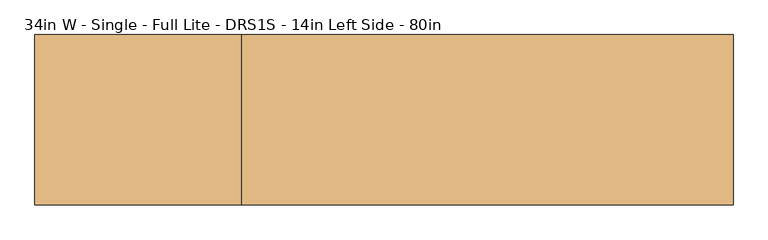
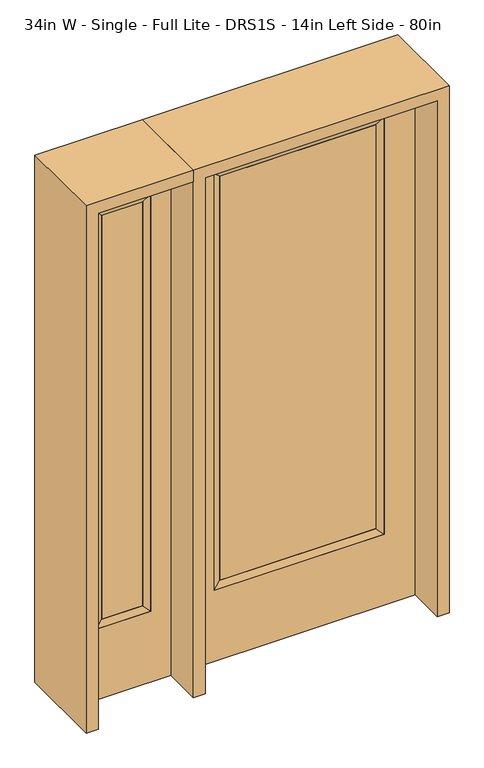
"""IFC4 building model written with IfcOpenShell, lengths in millimetres: door geometry, 34in W - Single - Full Lite - DRS1S - 14in Left Side - 80in."""

from ifc_helpers import new_model, si_unit, frame, origin, place, context, project, spatial, polyline, outline, extrude, faceted_brep, source, transform, mapped, element, save


def door_34in_w_single_full_lite_drs1s_14in_left_side_80in_d8b88d8a(model_context):
    return source(origin(), model_context, "Body", "SolidModel", [
        extrude(outline(polyline([(290.9824, -12.7039749), (-290.9824, -12.7039749), (-290.9824, 14.2875), (290.9824, 14.2875), (290.9824, -12.7039749)])), frame((0.0, 0.0, 304.8), z_axis=(0.0, 0.0, 1.0), x_axis=(1.0, 0.0, 0.0)), (0.0, 0.0, 1.0), 1591.1576),
        faceted_brep([(290.9824, 14.2875, 1895.9576), (316.3824, 22.225, 1921.3576), (316.3824, 22.225, 279.4), (290.9824, 14.2875, 304.8), (316.3824, -22.225, 1921.3576), (316.3824, -22.225, 279.4), (-316.3824, 22.225, 279.4), (-290.9824, 14.2875, 304.8), (290.9824, -12.7039749, 1895.9576), (290.9824, -12.7039749, 304.8), (-290.9824, -12.7039749, 304.8), (-316.3824, -22.225, 279.4), (-316.3824, 22.225, 1921.3576), (-290.9824, 14.2875, 1895.9576), (-290.9824, -12.7039749, 1895.9576), (-316.3824, -22.225, 1921.3576)], [[[0, 1, 2, 3]], [[1, 4, 5, 2]], [[3, 2, 6, 7]], [[8, 0, 3, 9]], [[9, 3, 7, 10]], [[4, 8, 9, 5]], [[5, 9, 10, 11]], [[2, 5, 11, 6]], [[7, 6, 12, 13]], [[10, 7, 13, 14]], [[11, 10, 14, 15]], [[6, 11, 15, 12]], [[13, 12, 1, 0]], [[14, 13, 0, 8]], [[15, 14, 8, 4]], [[12, 15, 4, 1]]]),
        extrude(outline(polyline([(0.0, -431.8), (0.0, 431.8), (2032.0, 431.8), (2032.0, -431.8), (0.0, -431.8)]), holes=[polyline([(279.4, -316.3824), (1921.3576, -316.3824), (1921.3576, 316.3824), (279.4, 316.3824), (279.4, -316.3824)])]), frame((0.0, -22.225, 0.0), z_axis=(0.0, 1.0, 0.0), x_axis=(0.0, 0.0, 1.0)), (0.0, 0.0, 1.0), 44.45),
        faceted_brep([(-552.45, 20.6375, 1920.875), (-552.45, -20.6375, 1920.875), (-552.45, -20.6375, 279.4), (-552.45, 20.6375, 279.4), (-577.85, -12.7, 1895.475), (-577.85, -12.7, 304.8), (-755.65, -20.6375, 279.4), (-755.65, 20.6375, 279.4), (-577.85, 12.7, 1895.475), (-577.85, 12.7, 304.8), (-730.25, 12.7, 304.8), (-730.25, -12.7, 304.8), (-755.65, -20.6375, 1920.875), (-755.65, 20.6375, 1920.875), (-730.25, 12.7, 1895.475), (-730.25, -12.7, 1895.475)], [[[0, 1, 2, 3]], [[1, 4, 5, 2]], [[3, 2, 6, 7]], [[8, 0, 3, 9]], [[9, 3, 7, 10]], [[4, 8, 9, 5]], [[5, 9, 10, 11]], [[2, 5, 11, 6]], [[7, 6, 12, 13]], [[10, 7, 13, 14]], [[11, 10, 14, 15]], [[6, 11, 15, 12]], [[13, 12, 1, 0]], [[14, 13, 0, 8]], [[15, 14, 8, 4]], [[12, 15, 4, 1]]]),
        extrude(outline(polyline([(0.0, -831.85), (0.0, -476.25), (2032.0, -476.25), (2032.0, -831.85), (0.0, -831.85)]), holes=[polyline([(1920.875, -552.45), (279.4, -552.45), (279.4, -755.65), (1920.875, -755.65), (1920.875, -552.45)])]), frame((0.0, -20.6375, 0.0), z_axis=(0.0, 1.0, 0.0), x_axis=(0.0, 0.0, 1.0)), (0.0, 0.0, 1.0), 41.275),
        extrude(outline(polyline([(-577.85, -12.7), (-730.25, -12.7), (-730.25, 12.7), (-577.85, 12.7), (-577.85, -12.7)])), frame((0.0, 0.0, 304.8), z_axis=(0.0, 0.0, 1.0), x_axis=(1.0, 0.0, 0.0)), (0.0, 0.0, 1.0), 1590.675),
        extrude(outline(polyline([(2032.0, -476.25), (2076.45, -476.25), (2076.45, -876.3), (0.0, -876.3), (0.0, -831.85), (2032.0, -831.85), (2032.0, -476.25)])), frame((0.0, -165.1, 0.0), z_axis=(0.0, 1.0, 0.0), x_axis=(0.0, 0.0, 1.0)), (0.0, 0.0, 1.0), 330.2),
        extrude(outline(polyline([(2076.45, -476.25), (0.0, -476.25), (0.0, -431.8), (2032.0, -431.8), (2032.0, 431.8), (0.0, 431.8), (0.0, 476.25), (2076.45, 476.25), (2076.45, -476.25)])), frame((0.0, -165.1, 0.0), z_axis=(0.0, 1.0, 0.0), x_axis=(0.0, 0.0, 1.0)), (0.0, 0.0, 1.0), 330.2),
    ])


if __name__ == "__main__":
    model = new_model("IFC4")
    model_context = context("Model", 3, world=origin())
    ifc_project = project(units=[si_unit("LENGTHUNIT", "METRE", prefix="MILLI")], contexts=[model_context])
    site = spatial("IfcSite", under=ifc_project)
    building = spatial("IfcBuilding", under=site)
    placement = place(None, origin())
    door_34in_w_single_full_lite_drs1s_14in_left_side_80in_shape = door_34in_w_single_full_lite_drs1s_14in_left_side_80in_d8b88d8a(model_context)
    element("IfcDoor", 1, ObjectType="34in W - Single - Full Lite - DRS1S - 14in Left Side - 80in", at=placement, inside=building, context=model_context, shape_type="MappedRepresentation", body=[
        mapped(door_34in_w_single_full_lite_drs1s_14in_left_side_80in_shape, transform((0.0, 0.0, 0.0), x_axis=(1.0, 0.0, 0.0), y_axis=(0.0, 1.0, 0.0), z_axis=(0.0, 0.0, 1.0))),
    ])
    save(model, "model.ifc")
